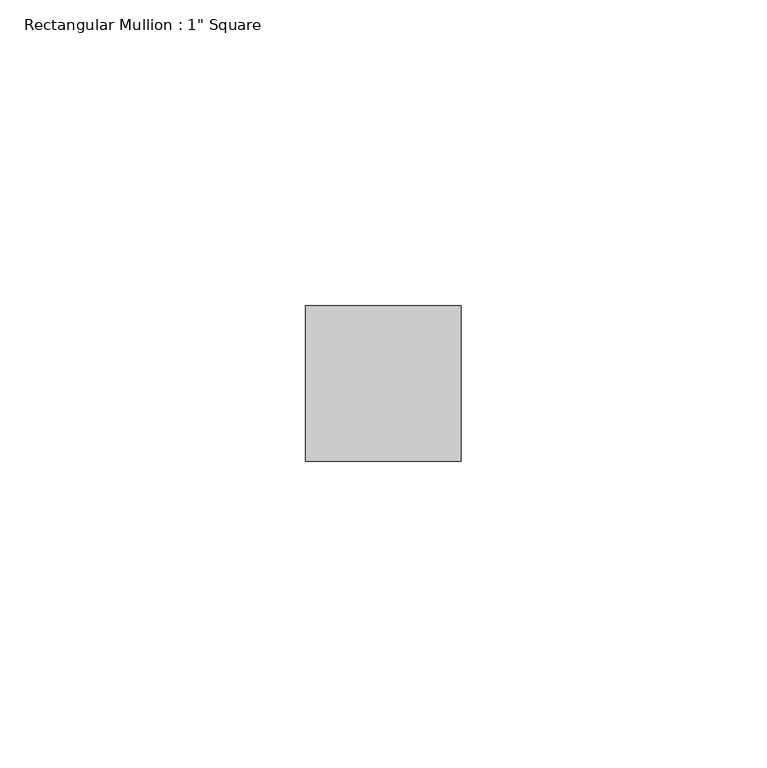
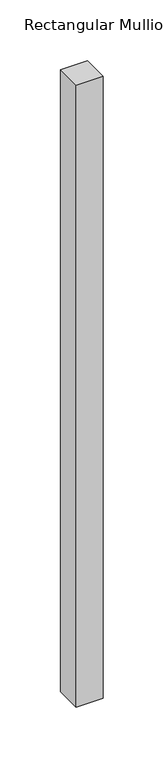
"""IFC4 building model written with IfcOpenShell, lengths in millimetres: member geometry."""

from ifc_helpers import new_model, si_unit, frame, origin, place, context, project, spatial, polyline, outline, extrude, source, transform, mapped, element, save


def member_93cf2621(model_context):
    return source(origin(), model_context, "Body", "SweptSolid", [
        extrude(outline(polyline([(12.7, 12.7), (12.7, -12.7), (-12.7, -12.7), (-12.7, 12.7), (12.7, 12.7)])), frame((0.0, 0.0, -622.3), z_axis=(0.0, 0.0, 1.0), x_axis=(1.0, 0.0, 0.0)), (0.0, 0.0, 1.0), 622.3),
    ])


if __name__ == "__main__":
    model = new_model("IFC4")
    model_context = context("Model", 3, world=origin())
    ifc_project = project(units=[si_unit("LENGTHUNIT", "METRE", prefix="MILLI")], contexts=[model_context])
    site = spatial("IfcSite", under=ifc_project)
    building = spatial("IfcBuilding", under=site)
    placement = place(None, origin())
    member_shape = member_93cf2621(model_context)
    element("IfcMember", 1, ObjectType="Rectangular Mullion : 1\" Square", at=placement, inside=building, context=model_context, shape_type="MappedRepresentation", body=[
        mapped(member_shape, transform((0.0, 0.0, 0.0), x_axis=(1.0, 0.0, 0.0), y_axis=(0.0, 1.0, 0.0), z_axis=(0.0, 0.0, 1.0))),
    ])
    save(model, "model.ifc")
